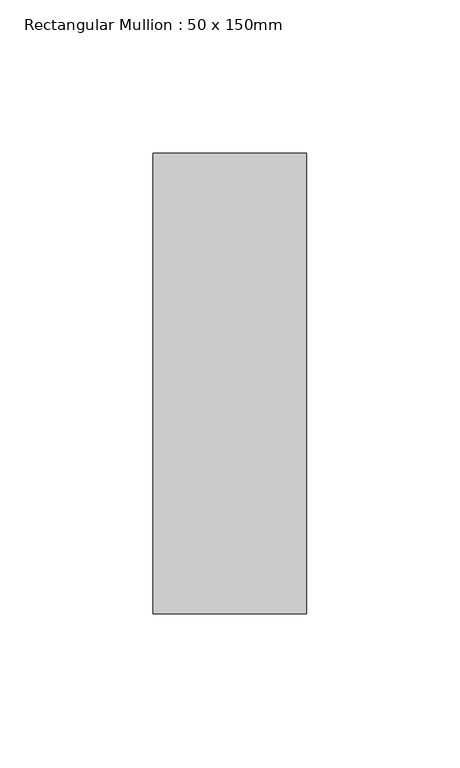
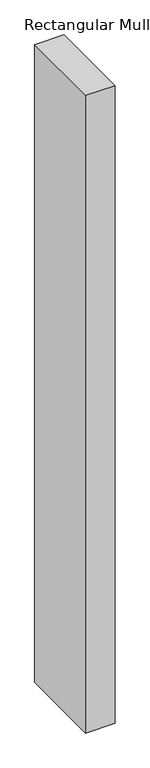
"""IFC4 building model written with IfcOpenShell, lengths in millimetres: member geometry, Rectangular Mullion : 50 x 150mm."""

from ifc_helpers import new_model, si_unit, frame, origin, place, context, project, spatial, polyline, outline, extrude, source, transform, mapped, element, save


def rectangular_mullion_50_x_150mm_cb6a9a8a(model_context):
    return source(origin(), model_context, "Body", "SweptSolid", [
        extrude(outline(polyline([(25.0, 75.0), (25.0, -75.0), (-25.0, -75.0), (-25.0, 75.0), (25.0, 75.0)])), frame((0.0, 0.0, -1146.6573503), z_axis=(0.0, 0.0, 1.0), x_axis=(1.0, 0.0, 0.0)), (0.0, 0.0, 1.0), 1146.6573503),
    ])


if __name__ == "__main__":
    model = new_model("IFC4")
    model_context = context("Model", 3, world=origin())
    ifc_project = project(units=[si_unit("LENGTHUNIT", "METRE", prefix="MILLI")], contexts=[model_context])
    site = spatial("IfcSite", under=ifc_project)
    building = spatial("IfcBuilding", under=site)
    placement = place(None, origin())
    rectangular_mullion_50_x_150mm_shape = rectangular_mullion_50_x_150mm_cb6a9a8a(model_context)
    element("IfcMember", 1, ObjectType="Rectangular Mullion : 50 x 150mm", at=placement, inside=building, context=model_context, shape_type="MappedRepresentation", body=[
        mapped(rectangular_mullion_50_x_150mm_shape, transform((0.0, 0.0, 0.0), x_axis=(1.0, 0.0, 0.0), y_axis=(0.0, 1.0, 0.0), z_axis=(0.0, 0.0, 1.0))),
    ])
    save(model, "model.ifc")
